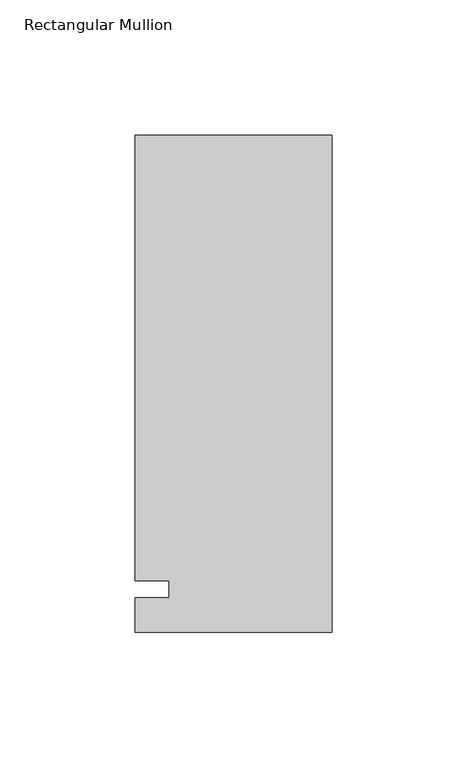
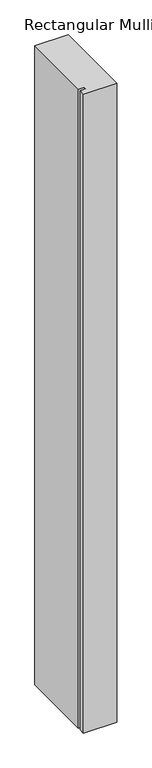
"""IFC4 building model written with IfcOpenShell, lengths in millimetres: member geometry, Rectangular Mullion."""

from ifc_helpers import new_model, si_unit, frame, origin, place, context, project, spatial, polyline, outline, extrude, source, transform, mapped, element, save


def rectangular_mullion_25b60984(model_context):
    return source(origin(), model_context, "Body", "SweptSolid", [
        extrude(outline(polyline([(-73.025, 168.275), (0.0, 168.275), (0.0, -15.875), (-73.025, -15.875), (-73.025, -3.175), (-60.3232296, -3.175), (-60.3232296, 3.175), (-73.025, 3.175), (-73.025, 168.275)])), frame((0.0, 0.0, -1478.28), z_axis=(0.0, 0.0, 1.0), x_axis=(1.0, 0.0, 0.0)), (0.0, 0.0, 1.0), 1478.28),
    ])


if __name__ == "__main__":
    model = new_model("IFC4")
    model_context = context("Model", 3, world=origin())
    ifc_project = project(units=[si_unit("LENGTHUNIT", "METRE", prefix="MILLI")], contexts=[model_context])
    site = spatial("IfcSite", under=ifc_project)
    building = spatial("IfcBuilding", under=site)
    placement = place(None, origin())
    rectangular_mullion_shape = rectangular_mullion_25b60984(model_context)
    element("IfcMember", 1, ObjectType="Rectangular Mullion", at=placement, inside=building, context=model_context, shape_type="MappedRepresentation", body=[
        mapped(rectangular_mullion_shape, transform((0.0, 0.0, 0.0), x_axis=(1.0, 0.0, 0.0), y_axis=(0.0, 1.0, 0.0), z_axis=(0.0, 0.0, 1.0))),
    ])
    save(model, "model.ifc")
